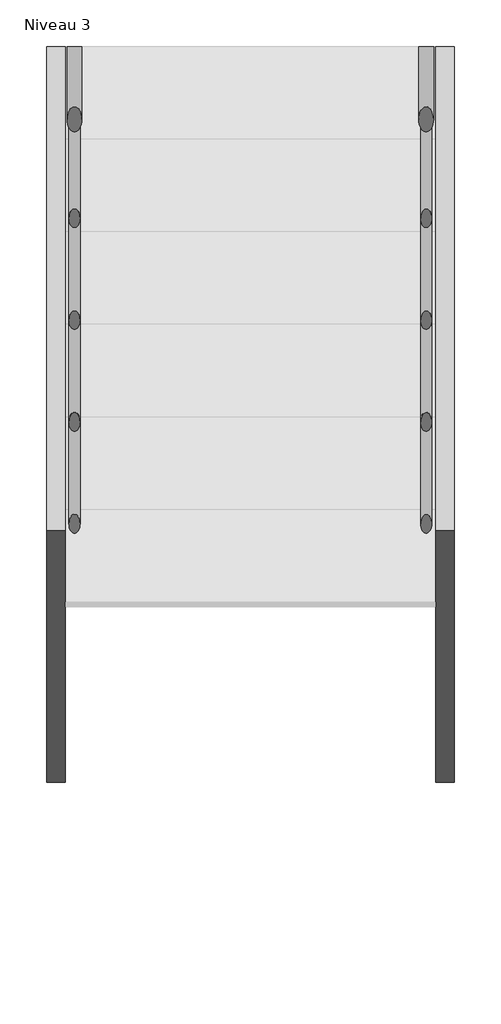
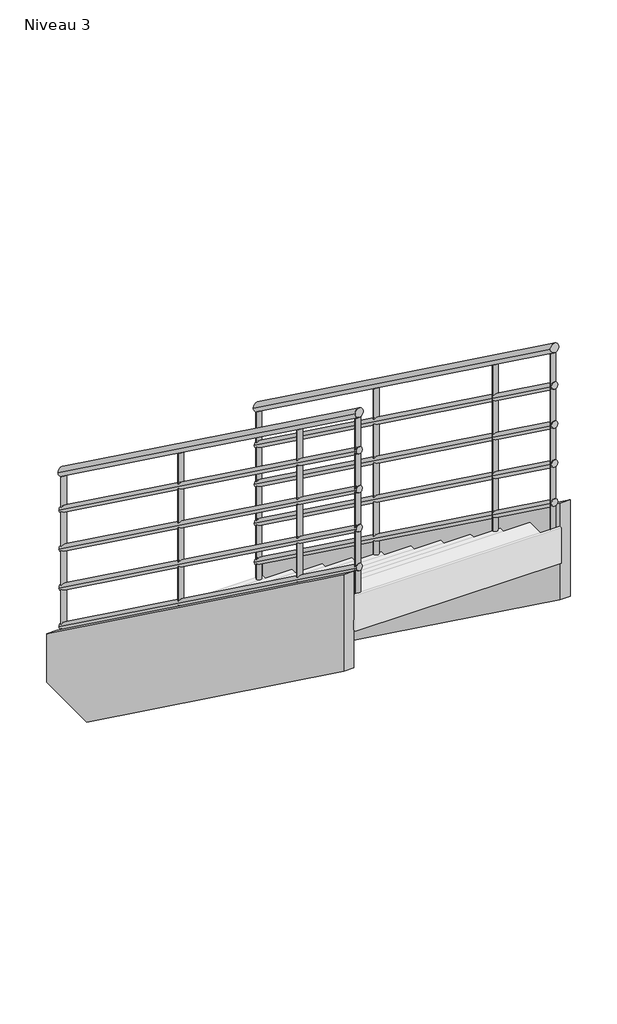
# One storey, part 2 of 2: 2 members, 2 railings.
"""IFC4 building model written with IfcOpenShell, lengths in millimetres."""

from ifc_helpers import new_model, si_unit, frame, origin, place, context, project, spatial, polyline, circle_curve, ellipse_curve, outline, extrude, element, save
from ifc_brep_helpers import plane_surface, cylinder_surface, advanced_brep

model = new_model("IFC4")

# Units and contexts
model_context = context("Model", 3, world=origin())
ifc_project = project(units=[si_unit("LENGTHUNIT", "METRE", prefix="MILLI")], contexts=[model_context])

# Site, building, storey
site = spatial("IfcSite", under=ifc_project)
building = spatial("IfcBuilding", under=site)
storey = spatial("IfcBuildingStorey", under=building, Name="Niveau 3", Elevation=6000.0)

# Members
placement = place(None, origin())
element("IfcMember", 1, at=placement, inside=storey, context=model_context, shape_type="SweptSolid", body=[
    extrude(outline(polyline([(1520.6436791, 6250.0334207), (1520.6436791, 6000.0), (1184.3661071, 6000.0), (-979.3563209, 7573.6163112), (-979.3563209, 8068.2152388), (1520.6436791, 6250.0334207)])), frame((29653.4838539, 0.0, 0.0), z_axis=(1.0, 0.0, 0.0), x_axis=(0.0, 1.0, 0.0)), (0.0, 0.0, 1.0), 50.0),
])
element("IfcMember", 2, at=placement, inside=storey, context=model_context, shape_type="SweptSolid", body=[
    extrude(outline(polyline([(1520.6436791, 6250.0334207), (1520.6436791, 6000.0), (1184.3661071, 6000.0), (-979.3563209, 7573.6163112), (-979.3563209, 8068.2152388), (1520.6436791, 6250.0334207)])), frame((28603.4838539, 0.0, 0.0), z_axis=(1.0, 0.0, 0.0), x_axis=(0.0, 1.0, 0.0)), (0.0, 0.0, 1.0), 50.0),
])

# Railings
element("IfcRailing", 3, at=placement, inside=storey, context=model_context, shape_type="AdvancedBrep", body=[
    advanced_brep(
    [(28658.8838539, 1520.6436791, 7057.0882354), (28698.8838539, 1520.6436791, 7057.0882354), (28658.8838539, -979.3563209, 8875.2700536), (28698.8838539, -979.3563209, 8875.2700536)],
    [
        (0, 1, ellipse_curve(frame((28678.8838539, 1520.6436791, 7057.0882354), z_axis=(0.0, 1.0, 0.0), x_axis=(0.0, 0.0, -0.9999999999999999)), 24.7299464, 20.0)),
        (1, 0, ellipse_curve(frame((28678.8838539, 1520.6436791, 7057.0882354), z_axis=(0.0, 1.0, 0.0), x_axis=(0.0, 0.0, -0.9999999999999999)), 24.7299464, 20.0)),
        (2, 3, ellipse_curve(frame((28678.8838539, -979.3563209, 8875.2700536), z_axis=(0.0, -1.0, 0.0), x_axis=(0.0, 0.0, -0.9999999999999999)), 24.7299464, 20.0)),
        (3, 2, ellipse_curve(frame((28678.8838539, -979.3563209, 8875.2700536), z_axis=(0.0, -1.0, 0.0), x_axis=(0.0, 0.0, -0.9999999999999999)), 24.7299464, 20.0)),
        (0, 2),
        (3, 1),
    ],
    [
        plane_surface(frame((28678.8838539, 1520.6436791, 7081.8181818), z_axis=(0.0, 1.0, 0.0), x_axis=(0.0, 0.0, -1.0))),
        plane_surface(frame((28678.8838539, -979.3563209, 8900.0), z_axis=(0.0, -1.0, 0.0), x_axis=(0.0, 0.0, -1.0))),
        cylinder_surface(frame((28678.8838539, 1508.8802452, 7065.6434601), z_axis=(0.0, 0.8087360843031877, -0.5881716976750473), x_axis=(1.0, 0.0, 0.0)), 20.0),
    ],
    [
        (0, [[1, 2]]),
        (1, [[3, 4]]),
        (2, [[-1, 5, -4, 6]]),
        (2, [[-2, -6, -3, -5]]),
    ],
),
    advanced_brep(
    [(28693.8838539, 1520.6436791, 6863.270722), (28663.8838539, 1520.6436791, 6863.270722), (28693.8838539, -979.3563209, 8681.4525402), (28663.8838539, -979.3563209, 8681.4525402)],
    [
        (0, 1, ellipse_curve(frame((28678.8838539, 1520.6436791, 6863.270722), z_axis=(0.0, 1.0, 0.0), x_axis=(0.0, 0.0, -0.9999999999999999)), 18.5474598, 15.0)),
        (1, 0, ellipse_curve(frame((28678.8838539, 1520.6436791, 6863.270722), z_axis=(0.0, 1.0, 0.0), x_axis=(0.0, 0.0, -0.9999999999999999)), 18.5474598, 15.0)),
        (2, 3, ellipse_curve(frame((28678.8838539, -979.3563209, 8681.4525402), z_axis=(0.0, -1.0, 0.0), x_axis=(0.0, 0.0, -0.9999999999999999)), 18.5474598, 15.0)),
        (3, 2, ellipse_curve(frame((28678.8838539, -979.3563209, 8681.4525402), z_axis=(0.0, -1.0, 0.0), x_axis=(0.0, 0.0, -0.9999999999999999)), 18.5474598, 15.0)),
        (0, 2),
        (3, 1),
    ],
    [
        plane_surface(frame((28678.8838539, 1520.6436791, 6881.8181818), z_axis=(0.0, 1.0, 0.0), x_axis=(0.0, 0.0, -1.0))),
        plane_surface(frame((28678.8838539, -979.3563209, 8700.0), z_axis=(0.0, -1.0, 0.0), x_axis=(0.0, 0.0, -1.0))),
        cylinder_surface(frame((28678.8838539, 1511.8211037, 6869.6871406), z_axis=(0.0, 0.8087360843031877, -0.5881716976750473), x_axis=(-1.0, 0.0, 0.0)), 15.0),
    ],
    [
        (0, [[1, 2]]),
        (1, [[3, 4]]),
        (2, [[-1, 5, -4, 6]]),
        (2, [[-2, -6, -3, -5]]),
    ],
),
    advanced_brep(
    [(28693.8838539, 1520.6436791, 6663.270722), (28663.8838539, 1520.6436791, 6663.270722), (28693.8838539, -979.3563209, 8481.4525402), (28663.8838539, -979.3563209, 8481.4525402)],
    [
        (0, 1, ellipse_curve(frame((28678.8838539, 1520.6436791, 6663.270722), z_axis=(0.0, 1.0, 0.0), x_axis=(0.0, 0.0, -0.9999999999999999)), 18.5474598, 15.0)),
        (1, 0, ellipse_curve(frame((28678.8838539, 1520.6436791, 6663.270722), z_axis=(0.0, 1.0, 0.0), x_axis=(0.0, 0.0, -0.9999999999999999)), 18.5474598, 15.0)),
        (2, 3, ellipse_curve(frame((28678.8838539, -979.3563209, 8481.4525402), z_axis=(0.0, -1.0, 0.0), x_axis=(0.0, 0.0, -0.9999999999999999)), 18.5474598, 15.0)),
        (3, 2, ellipse_curve(frame((28678.8838539, -979.3563209, 8481.4525402), z_axis=(0.0, -1.0, 0.0), x_axis=(0.0, 0.0, -0.9999999999999999)), 18.5474598, 15.0)),
        (0, 2),
        (3, 1),
    ],
    [
        plane_surface(frame((28678.8838539, 1520.6436791, 6681.8181818), z_axis=(0.0, 1.0, 0.0), x_axis=(0.0, 0.0, -1.0))),
        plane_surface(frame((28678.8838539, -979.3563209, 8500.0), z_axis=(0.0, -1.0, 0.0), x_axis=(0.0, 0.0, -1.0))),
        cylinder_surface(frame((28678.8838539, 1511.8211037, 6669.6871406), z_axis=(0.0, 0.8087360843031877, -0.5881716976750473), x_axis=(-1.0, 0.0, 0.0)), 15.0),
    ],
    [
        (0, [[1, 2]]),
        (1, [[3, 4]]),
        (2, [[-1, 5, -4, 6]]),
        (2, [[-2, -6, -3, -5]]),
    ],
),
    advanced_brep(
    [(28693.8838539, 1520.6436791, 6463.270722), (28663.8838539, 1520.6436791, 6463.270722), (28693.8838539, -979.3563209, 8281.4525402), (28663.8838539, -979.3563209, 8281.4525402)],
    [
        (0, 1, ellipse_curve(frame((28678.8838539, 1520.6436791, 6463.270722), z_axis=(0.0, 1.0, 0.0), x_axis=(0.0, 0.0, -0.9999999999999999)), 18.5474598, 15.0)),
        (1, 0, ellipse_curve(frame((28678.8838539, 1520.6436791, 6463.270722), z_axis=(0.0, 1.0, 0.0), x_axis=(0.0, 0.0, -0.9999999999999999)), 18.5474598, 15.0)),
        (2, 3, ellipse_curve(frame((28678.8838539, -979.3563209, 8281.4525402), z_axis=(0.0, -1.0, 0.0), x_axis=(0.0, 0.0, -0.9999999999999999)), 18.5474598, 15.0)),
        (3, 2, ellipse_curve(frame((28678.8838539, -979.3563209, 8281.4525402), z_axis=(0.0, -1.0, 0.0), x_axis=(0.0, 0.0, -0.9999999999999999)), 18.5474598, 15.0)),
        (0, 2),
        (3, 1),
    ],
    [
        plane_surface(frame((28678.8838539, 1520.6436791, 6481.8181818), z_axis=(0.0, 1.0, 0.0), x_axis=(0.0, 0.0, -1.0))),
        plane_surface(frame((28678.8838539, -979.3563209, 8300.0), z_axis=(0.0, -1.0, 0.0), x_axis=(0.0, 0.0, -1.0))),
        cylinder_surface(frame((28678.8838539, 1511.8211037, 6469.6871406), z_axis=(0.0, 0.8087360843031877, -0.5881716976750473), x_axis=(-1.0, 0.0, 0.0)), 15.0),
    ],
    [
        (0, [[1, 2]]),
        (1, [[3, 4]]),
        (2, [[-1, 5, -4, 6]]),
        (2, [[-2, -6, -3, -5]]),
    ],
),
    advanced_brep(
    [(28693.8838539, 1520.6436791, 6263.270722), (28663.8838539, 1520.6436791, 6263.270722), (28693.8838539, -979.3563209, 8081.4525402), (28663.8838539, -979.3563209, 8081.4525402)],
    [
        (0, 1, ellipse_curve(frame((28678.8838539, 1520.6436791, 6263.270722), z_axis=(0.0, 1.0, 0.0), x_axis=(0.0, 0.0, -0.9999999999999999)), 18.5474598, 15.0)),
        (1, 0, ellipse_curve(frame((28678.8838539, 1520.6436791, 6263.270722), z_axis=(0.0, 1.0, 0.0), x_axis=(0.0, 0.0, -0.9999999999999999)), 18.5474598, 15.0)),
        (2, 3, ellipse_curve(frame((28678.8838539, -979.3563209, 8081.4525402), z_axis=(0.0, -1.0, 0.0), x_axis=(0.0, 0.0, -0.9999999999999999)), 18.5474598, 15.0)),
        (3, 2, ellipse_curve(frame((28678.8838539, -979.3563209, 8081.4525402), z_axis=(0.0, -1.0, 0.0), x_axis=(0.0, 0.0, -0.9999999999999999)), 18.5474598, 15.0)),
        (0, 2),
        (3, 1),
    ],
    [
        plane_surface(frame((28678.8838539, 1520.6436791, 6281.8181818), z_axis=(0.0, 1.0, 0.0), x_axis=(0.0, 0.0, -1.0))),
        plane_surface(frame((28678.8838539, -979.3563209, 8100.0), z_axis=(0.0, -1.0, 0.0), x_axis=(0.0, 0.0, -1.0))),
        cylinder_surface(frame((28678.8838539, 1511.8211037, 6269.6871406), z_axis=(0.0, 0.8087360843031877, -0.5881716976750473), x_axis=(-1.0, 0.0, 0.0)), 15.0),
    ],
    [
        (0, [[1, 2]]),
        (1, [[3, 4]]),
        (2, [[-1, 5, -4, 6]]),
        (2, [[-2, -6, -3, -5]]),
    ],
),
    advanced_brep(
    [(28666.3838539, -479.3563209, 8486.9037436), (28666.3838539, -479.3563209, 7636.3636364), (28691.3838539, -479.3563209, 7636.3636364), (28691.3838539, -479.3563209, 8486.9037436)],
    [
        (0, 1),
        (1, 2, circle_curve(frame((28678.8838539, -479.3563209, 7636.3636364), z_axis=(0.0, 0.0, 1.0), x_axis=(1.0, 0.0, 0.0)), 12.5)),
        (2, 3),
        (3, 0, ellipse_curve(frame((28678.8838539, -479.3563209, 8486.9037436), z_axis=(0.0, -0.5881716976750468, -0.8087360843031881), x_axis=(0.0, -0.8087360843031881, 0.5881716976750467)), 15.4562165, 12.5)),
        (0, 3, ellipse_curve(frame((28678.8838539, -479.3563209, 8486.9037436), z_axis=(0.0, -0.5881716976750468, -0.8087360843031881), x_axis=(0.0, -0.8087360843031881, 0.5881716976750467)), 15.4562165, 12.5)),
        (2, 1, circle_curve(frame((28678.8838539, -479.3563209, 7636.3636364), z_axis=(0.0, 0.0, 1.0), x_axis=(1.0, 0.0, 0.0)), 12.5)),
    ],
    [
        cylinder_surface(frame((28678.8838539, -479.3563209, 7536.3636364), z_axis=(0.0, 0.0, 1.0), x_axis=(1.0, 0.0, 0.0)), 12.5),
        plane_surface(frame((28703.8838539, -504.3563209, 8505.0855618), z_axis=(0.0, 0.5881716976750468, 0.8087360843031881), x_axis=(-1.0, 0.0, 0.0))),
        plane_surface(frame((28703.8838539, -454.3563209, 7636.3636364), z_axis=(0.0, 0.0, -1.0), x_axis=(-1.0, 0.0, 0.0))),
    ],
    [
        (0, [[1, 2, 3, 4]]),
        (0, [[-1, 5, -3, 6]]),
        (1, [[-4, -5]]),
        (2, [[-2, -6]]),
    ],
),
    advanced_brep(
    [(28666.3838539, 520.6436791, 7759.6310163), (28666.3838539, 520.6436791, 6909.0909091), (28691.3838539, 520.6436791, 6909.0909091), (28691.3838539, 520.6436791, 7759.6310163)],
    [
        (0, 1),
        (1, 2, circle_curve(frame((28678.8838539, 520.6436791, 6909.0909091), z_axis=(0.0, 0.0, 1.0), x_axis=(1.0, 0.0, 0.0)), 12.5)),
        (2, 3),
        (3, 0, ellipse_curve(frame((28678.8838539, 520.6436791, 7759.6310163), z_axis=(0.0, -0.5881716976750468, -0.8087360843031881), x_axis=(0.0, -0.8087360843031881, 0.5881716976750467)), 15.4562165, 12.5)),
        (0, 3, ellipse_curve(frame((28678.8838539, 520.6436791, 7759.6310163), z_axis=(0.0, -0.5881716976750468, -0.8087360843031881), x_axis=(0.0, -0.8087360843031881, 0.5881716976750467)), 15.4562165, 12.5)),
        (2, 1, circle_curve(frame((28678.8838539, 520.6436791, 6909.0909091), z_axis=(0.0, 0.0, 1.0), x_axis=(1.0, 0.0, 0.0)), 12.5)),
    ],
    [
        cylinder_surface(frame((28678.8838539, 520.6436791, 6809.0909091), z_axis=(0.0, 0.0, 1.0), x_axis=(1.0, 0.0, 0.0)), 12.5),
        plane_surface(frame((28703.8838539, 495.6436791, 7777.8128345), z_axis=(0.0, 0.5881716976750468, 0.8087360843031881), x_axis=(-1.0, 0.0, 0.0))),
        plane_surface(frame((28703.8838539, 545.6436791, 6909.0909091), z_axis=(0.0, 0.0, -1.0), x_axis=(-1.0, 0.0, 0.0))),
    ],
    [
        (0, [[1, 2, 3, 4]]),
        (0, [[-1, 5, -3, 6]]),
        (1, [[-4, -5]]),
        (2, [[-2, -6]]),
    ],
),
    advanced_brep(
    [(28666.3838539, -966.8563209, 8841.4491982), (28666.3838539, -966.8563209, 7818.1818182), (28691.3838539, -966.8563209, 7818.1818182), (28691.3838539, -966.8563209, 8841.4491982)],
    [
        (0, 1),
        (1, 2, circle_curve(frame((28678.8838539, -966.8563209, 7818.1818182), z_axis=(0.0, 0.0, 1.0), x_axis=(1.0, 0.0, 0.0)), 12.5)),
        (2, 3),
        (3, 0, ellipse_curve(frame((28678.8838539, -966.8563209, 8841.4491982), z_axis=(0.0, -0.5881716976750468, -0.8087360843031881), x_axis=(0.0, -0.8087360843031881, 0.5881716976750467)), 15.4562165, 12.5)),
        (0, 3, ellipse_curve(frame((28678.8838539, -966.8563209, 8841.4491982), z_axis=(0.0, -0.5881716976750468, -0.8087360843031881), x_axis=(0.0, -0.8087360843031881, 0.5881716976750467)), 15.4562165, 12.5)),
        (2, 1, circle_curve(frame((28678.8838539, -966.8563209, 7818.1818182), z_axis=(0.0, 0.0, 1.0), x_axis=(1.0, 0.0, 0.0)), 12.5)),
    ],
    [
        cylinder_surface(frame((28678.8838539, -966.8563209, 7718.1818182), z_axis=(0.0, 0.0, 1.0), x_axis=(1.0, 0.0, 0.0)), 12.5),
        plane_surface(frame((28703.8838539, -991.8563209, 8859.6310163), z_axis=(0.0, 0.5881716976750468, 0.8087360843031881), x_axis=(-1.0, 0.0, 0.0))),
        plane_surface(frame((28703.8838539, -941.8563209, 7818.1818182), z_axis=(0.0, 0.0, -1.0), x_axis=(-1.0, 0.0, 0.0))),
    ],
    [
        (0, [[1, 2, 3, 4]]),
        (0, [[-1, 5, -3, 6]]),
        (1, [[-4, -5]]),
        (2, [[-2, -6]]),
    ],
),
    advanced_brep(
    [(28666.3838539, 1508.1436791, 7041.4491982), (28666.3838539, 1508.1436791, 6181.8181818), (28691.3838539, 1508.1436791, 6181.8181818), (28691.3838539, 1508.1436791, 7041.4491982)],
    [
        (0, 1),
        (1, 2, circle_curve(frame((28678.8838539, 1508.1436791, 6181.8181818), z_axis=(0.0, 0.0, 1.0), x_axis=(1.0, 0.0, 0.0)), 12.5)),
        (2, 3),
        (3, 0, ellipse_curve(frame((28678.8838539, 1508.1436791, 7041.4491982), z_axis=(0.0, -0.5881716976750468, -0.8087360843031881), x_axis=(0.0, -0.8087360843031881, 0.5881716976750467)), 15.4562165, 12.5)),
        (0, 3, ellipse_curve(frame((28678.8838539, 1508.1436791, 7041.4491982), z_axis=(0.0, -0.5881716976750468, -0.8087360843031881), x_axis=(0.0, -0.8087360843031881, 0.5881716976750467)), 15.4562165, 12.5)),
        (2, 1, circle_curve(frame((28678.8838539, 1508.1436791, 6181.8181818), z_axis=(0.0, 0.0, 1.0), x_axis=(1.0, 0.0, 0.0)), 12.5)),
    ],
    [
        cylinder_surface(frame((28678.8838539, 1508.1436791, 6081.8181818), z_axis=(0.0, 0.0, 1.0), x_axis=(1.0, 0.0, 0.0)), 12.5),
        plane_surface(frame((28703.8838539, 1483.1436791, 7059.6310163), z_axis=(0.0, 0.5881716976750468, 0.8087360843031881), x_axis=(-1.0, 0.0, 0.0))),
        plane_surface(frame((28703.8838539, 1533.1436791, 6181.8181818), z_axis=(0.0, 0.0, -1.0), x_axis=(-1.0, 0.0, 0.0))),
    ],
    [
        (0, [[1, 2, 3, 4]]),
        (0, [[-1, 5, -3, 6]]),
        (1, [[-4, -5]]),
        (2, [[-2, -6]]),
    ],
),
])
element("IfcRailing", 4, at=placement, inside=storey, context=model_context, shape_type="AdvancedBrep", body=[
    advanced_brep(
    [(29608.0838539, 1520.6436791, 7057.0882354), (29648.0838539, 1520.6436791, 7057.0882354), (29608.0838539, -979.3563209, 8875.2700536), (29648.0838539, -979.3563209, 8875.2700536)],
    [
        (0, 1, ellipse_curve(frame((29628.0838539, 1520.6436791, 7057.0882354), z_axis=(0.0, 1.0, 0.0), x_axis=(0.0, 0.0, -1.0)), 24.7299464, 20.0)),
        (1, 0, ellipse_curve(frame((29628.0838539, 1520.6436791, 7057.0882354), z_axis=(0.0, 1.0, 0.0), x_axis=(0.0, 0.0, -1.0)), 24.7299464, 20.0)),
        (2, 3, ellipse_curve(frame((29628.0838539, -979.3563209, 8875.2700536), z_axis=(0.0, -1.0, 0.0), x_axis=(0.0, 0.0, -1.0)), 24.7299464, 20.0)),
        (3, 2, ellipse_curve(frame((29628.0838539, -979.3563209, 8875.2700536), z_axis=(0.0, -1.0, 0.0), x_axis=(0.0, 0.0, -1.0)), 24.7299464, 20.0)),
        (0, 2),
        (3, 1),
    ],
    [
        plane_surface(frame((29628.0838539, 1520.6436791, 7081.8181818), z_axis=(0.0, 1.0, 0.0), x_axis=(0.0, 0.0, -1.0))),
        plane_surface(frame((29628.0838539, -979.3563209, 8900.0), z_axis=(0.0, -1.0, 0.0), x_axis=(0.0, 0.0, -1.0))),
        cylinder_surface(frame((29628.0838539, 1508.8802452, 7065.6434601), z_axis=(0.0, 0.8087360843031879, -0.5881716976750472), x_axis=(1.0, 0.0, 0.0)), 20.0),
    ],
    [
        (0, [[1, 2]]),
        (1, [[3, 4]]),
        (2, [[-1, 5, -4, 6]]),
        (2, [[-2, -6, -3, -5]]),
    ],
),
    advanced_brep(
    [(29613.0838539, 1520.6436791, 6863.270722), (29643.0838539, 1520.6436791, 6863.270722), (29613.0838539, -979.3563209, 8681.4525402), (29643.0838539, -979.3563209, 8681.4525402)],
    [
        (0, 1, ellipse_curve(frame((29628.0838539, 1520.6436791, 6863.270722), z_axis=(0.0, 1.0, 0.0), x_axis=(0.0, 0.0, -1.0)), 18.5474598, 15.0)),
        (1, 0, ellipse_curve(frame((29628.0838539, 1520.6436791, 6863.270722), z_axis=(0.0, 1.0, 0.0), x_axis=(0.0, 0.0, -1.0)), 18.5474598, 15.0)),
        (2, 3, ellipse_curve(frame((29628.0838539, -979.3563209, 8681.4525402), z_axis=(0.0, -1.0, 0.0), x_axis=(0.0, 0.0, -1.0)), 18.5474598, 15.0)),
        (3, 2, ellipse_curve(frame((29628.0838539, -979.3563209, 8681.4525402), z_axis=(0.0, -1.0, 0.0), x_axis=(0.0, 0.0, -1.0)), 18.5474598, 15.0)),
        (0, 2),
        (3, 1),
    ],
    [
        plane_surface(frame((29628.0838539, 1520.6436791, 6881.8181818), z_axis=(0.0, 1.0, 0.0), x_axis=(0.0, 0.0, -1.0))),
        plane_surface(frame((29628.0838539, -979.3563209, 8700.0), z_axis=(0.0, -1.0, 0.0), x_axis=(0.0, 0.0, -1.0))),
        cylinder_surface(frame((29628.0838539, 1511.8211037, 6869.6871406), z_axis=(0.0, 0.8087360843031879, -0.5881716976750472), x_axis=(1.0, 0.0, 0.0)), 15.0),
    ],
    [
        (0, [[1, 2]]),
        (1, [[3, 4]]),
        (2, [[-1, 5, -4, 6]]),
        (2, [[-2, -6, -3, -5]]),
    ],
),
    advanced_brep(
    [(29613.0838539, 1520.6436791, 6663.270722), (29643.0838539, 1520.6436791, 6663.270722), (29613.0838539, -979.3563209, 8481.4525402), (29643.0838539, -979.3563209, 8481.4525402)],
    [
        (0, 1, ellipse_curve(frame((29628.0838539, 1520.6436791, 6663.270722), z_axis=(0.0, 1.0, 0.0), x_axis=(0.0, 0.0, -1.0)), 18.5474598, 15.0)),
        (1, 0, ellipse_curve(frame((29628.0838539, 1520.6436791, 6663.270722), z_axis=(0.0, 1.0, 0.0), x_axis=(0.0, 0.0, -1.0)), 18.5474598, 15.0)),
        (2, 3, ellipse_curve(frame((29628.0838539, -979.3563209, 8481.4525402), z_axis=(0.0, -1.0, 0.0), x_axis=(0.0, 0.0, -1.0)), 18.5474598, 15.0)),
        (3, 2, ellipse_curve(frame((29628.0838539, -979.3563209, 8481.4525402), z_axis=(0.0, -1.0, 0.0), x_axis=(0.0, 0.0, -1.0)), 18.5474598, 15.0)),
        (0, 2),
        (3, 1),
    ],
    [
        plane_surface(frame((29628.0838539, 1520.6436791, 6681.8181818), z_axis=(0.0, 1.0, 0.0), x_axis=(0.0, 0.0, -1.0))),
        plane_surface(frame((29628.0838539, -979.3563209, 8500.0), z_axis=(0.0, -1.0, 0.0), x_axis=(0.0, 0.0, -1.0))),
        cylinder_surface(frame((29628.0838539, 1511.8211037, 6669.6871406), z_axis=(0.0, 0.8087360843031879, -0.5881716976750472), x_axis=(1.0, 0.0, 0.0)), 15.0),
    ],
    [
        (0, [[1, 2]]),
        (1, [[3, 4]]),
        (2, [[-1, 5, -4, 6]]),
        (2, [[-2, -6, -3, -5]]),
    ],
),
    advanced_brep(
    [(29613.0838539, 1520.6436791, 6463.270722), (29643.0838539, 1520.6436791, 6463.270722), (29613.0838539, -979.3563209, 8281.4525402), (29643.0838539, -979.3563209, 8281.4525402)],
    [
        (0, 1, ellipse_curve(frame((29628.0838539, 1520.6436791, 6463.270722), z_axis=(0.0, 1.0, 0.0), x_axis=(0.0, 0.0, -1.0)), 18.5474598, 15.0)),
        (1, 0, ellipse_curve(frame((29628.0838539, 1520.6436791, 6463.270722), z_axis=(0.0, 1.0, 0.0), x_axis=(0.0, 0.0, -1.0)), 18.5474598, 15.0)),
        (2, 3, ellipse_curve(frame((29628.0838539, -979.3563209, 8281.4525402), z_axis=(0.0, -1.0, 0.0), x_axis=(0.0, 0.0, -1.0)), 18.5474598, 15.0)),
        (3, 2, ellipse_curve(frame((29628.0838539, -979.3563209, 8281.4525402), z_axis=(0.0, -1.0, 0.0), x_axis=(0.0, 0.0, -1.0)), 18.5474598, 15.0)),
        (0, 2),
        (3, 1),
    ],
    [
        plane_surface(frame((29628.0838539, 1520.6436791, 6481.8181818), z_axis=(0.0, 1.0, 0.0), x_axis=(0.0, 0.0, -1.0))),
        plane_surface(frame((29628.0838539, -979.3563209, 8300.0), z_axis=(0.0, -1.0, 0.0), x_axis=(0.0, 0.0, -1.0))),
        cylinder_surface(frame((29628.0838539, 1511.8211037, 6469.6871406), z_axis=(0.0, 0.8087360843031879, -0.5881716976750472), x_axis=(1.0, 0.0, 0.0)), 15.0),
    ],
    [
        (0, [[1, 2]]),
        (1, [[3, 4]]),
        (2, [[-1, 5, -4, 6]]),
        (2, [[-2, -6, -3, -5]]),
    ],
),
    advanced_brep(
    [(29613.0838539, 1520.6436791, 6263.270722), (29643.0838539, 1520.6436791, 6263.270722), (29613.0838539, -979.3563209, 8081.4525402), (29643.0838539, -979.3563209, 8081.4525402)],
    [
        (0, 1, ellipse_curve(frame((29628.0838539, 1520.6436791, 6263.270722), z_axis=(0.0, 1.0, 0.0), x_axis=(0.0, 0.0, -1.0)), 18.5474598, 15.0)),
        (1, 0, ellipse_curve(frame((29628.0838539, 1520.6436791, 6263.270722), z_axis=(0.0, 1.0, 0.0), x_axis=(0.0, 0.0, -1.0)), 18.5474598, 15.0)),
        (2, 3, ellipse_curve(frame((29628.0838539, -979.3563209, 8081.4525402), z_axis=(0.0, -1.0, 0.0), x_axis=(0.0, 0.0, -1.0)), 18.5474598, 15.0)),
        (3, 2, ellipse_curve(frame((29628.0838539, -979.3563209, 8081.4525402), z_axis=(0.0, -1.0, 0.0), x_axis=(0.0, 0.0, -1.0)), 18.5474598, 15.0)),
        (0, 2),
        (3, 1),
    ],
    [
        plane_surface(frame((29628.0838539, 1520.6436791, 6281.8181818), z_axis=(0.0, 1.0, 0.0), x_axis=(0.0, 0.0, -1.0))),
        plane_surface(frame((29628.0838539, -979.3563209, 8100.0), z_axis=(0.0, -1.0, 0.0), x_axis=(0.0, 0.0, -1.0))),
        cylinder_surface(frame((29628.0838539, 1511.8211037, 6269.6871406), z_axis=(0.0, 0.8087360843031879, -0.5881716976750472), x_axis=(1.0, 0.0, 0.0)), 15.0),
    ],
    [
        (0, [[1, 2]]),
        (1, [[3, 4]]),
        (2, [[-1, 5, -4, 6]]),
        (2, [[-2, -6, -3, -5]]),
    ],
),
    advanced_brep(
    [(29640.5838539, -479.3563209, 8486.9037436), (29615.5838539, -479.3563209, 8486.9037436), (29615.5838539, -479.3563209, 7636.3636364), (29640.5838539, -479.3563209, 7636.3636364)],
    [
        (0, 1, ellipse_curve(frame((29628.0838539, -479.3563209, 8486.9037436), z_axis=(0.0, -0.5881716976750468, -0.8087360843031881), x_axis=(0.0, -0.8087360843031881, 0.5881716976750467)), 15.4562165, 12.5)),
        (1, 2),
        (2, 3, circle_curve(frame((29628.0838539, -479.3563209, 7636.3636364), z_axis=(0.0, 0.0, 1.0), x_axis=(-1.0, 0.0, 0.0)), 12.5)),
        (3, 0),
        (3, 2, circle_curve(frame((29628.0838539, -479.3563209, 7636.3636364), z_axis=(0.0, 0.0, 1.0), x_axis=(-1.0, 0.0, 0.0)), 12.5)),
        (1, 0, ellipse_curve(frame((29628.0838539, -479.3563209, 8486.9037436), z_axis=(0.0, -0.5881716976750468, -0.8087360843031881), x_axis=(0.0, -0.8087360843031881, 0.5881716976750467)), 15.4562165, 12.5)),
    ],
    [
        cylinder_surface(frame((29628.0838539, -479.3563209, 7536.3636364), z_axis=(0.0, 0.0, 1.0), x_axis=(-1.0, 0.0, 0.0)), 12.5),
        plane_surface(frame((29603.0838539, -504.3563209, 8505.0855618), z_axis=(0.0, 0.5881716976750468, 0.8087360843031881), x_axis=(1.0, 0.0, 0.0))),
        plane_surface(frame((29603.0838539, -454.3563209, 7636.3636364), z_axis=(0.0, 0.0, -1.0), x_axis=(1.0, 0.0, 0.0))),
    ],
    [
        (0, [[1, 2, 3, 4]]),
        (0, [[5, -2, 6, -4]]),
        (1, [[-6, -1]]),
        (2, [[-5, -3]]),
    ],
),
    advanced_brep(
    [(29640.5838539, 520.6436791, 7759.6310163), (29615.5838539, 520.6436791, 7759.6310163), (29615.5838539, 520.6436791, 6909.0909091), (29640.5838539, 520.6436791, 6909.0909091)],
    [
        (0, 1, ellipse_curve(frame((29628.0838539, 520.6436791, 7759.6310163), z_axis=(0.0, -0.5881716976750468, -0.8087360843031881), x_axis=(0.0, -0.8087360843031881, 0.5881716976750467)), 15.4562165, 12.5)),
        (1, 2),
        (2, 3, circle_curve(frame((29628.0838539, 520.6436791, 6909.0909091), z_axis=(0.0, 0.0, 1.0), x_axis=(-1.0, 0.0, 0.0)), 12.5)),
        (3, 0),
        (3, 2, circle_curve(frame((29628.0838539, 520.6436791, 6909.0909091), z_axis=(0.0, 0.0, 1.0), x_axis=(-1.0, 0.0, 0.0)), 12.5)),
        (1, 0, ellipse_curve(frame((29628.0838539, 520.6436791, 7759.6310163), z_axis=(0.0, -0.5881716976750468, -0.8087360843031881), x_axis=(0.0, -0.8087360843031881, 0.5881716976750467)), 15.4562165, 12.5)),
    ],
    [
        cylinder_surface(frame((29628.0838539, 520.6436791, 6809.0909091), z_axis=(0.0, 0.0, 1.0), x_axis=(-1.0, 0.0, 0.0)), 12.5),
        plane_surface(frame((29603.0838539, 495.6436791, 7777.8128345), z_axis=(0.0, 0.5881716976750468, 0.8087360843031881), x_axis=(1.0, 0.0, 0.0))),
        plane_surface(frame((29603.0838539, 545.6436791, 6909.0909091), z_axis=(0.0, 0.0, -1.0), x_axis=(1.0, 0.0, 0.0))),
    ],
    [
        (0, [[1, 2, 3, 4]]),
        (0, [[5, -2, 6, -4]]),
        (1, [[-6, -1]]),
        (2, [[-5, -3]]),
    ],
),
    advanced_brep(
    [(29640.5838539, -966.8563209, 8841.4491982), (29615.5838539, -966.8563209, 8841.4491982), (29615.5838539, -966.8563209, 7818.1818182), (29640.5838539, -966.8563209, 7818.1818182)],
    [
        (0, 1, ellipse_curve(frame((29628.0838539, -966.8563209, 8841.4491982), z_axis=(0.0, -0.5881716976750468, -0.8087360843031881), x_axis=(0.0, -0.8087360843031881, 0.5881716976750467)), 15.4562165, 12.5)),
        (1, 2),
        (2, 3, circle_curve(frame((29628.0838539, -966.8563209, 7818.1818182), z_axis=(0.0, 0.0, 1.0), x_axis=(-1.0, 0.0, 0.0)), 12.5)),
        (3, 0),
        (3, 2, circle_curve(frame((29628.0838539, -966.8563209, 7818.1818182), z_axis=(0.0, 0.0, 1.0), x_axis=(-1.0, 0.0, 0.0)), 12.5)),
        (1, 0, ellipse_curve(frame((29628.0838539, -966.8563209, 8841.4491982), z_axis=(0.0, -0.5881716976750468, -0.8087360843031881), x_axis=(0.0, -0.8087360843031881, 0.5881716976750467)), 15.4562165, 12.5)),
    ],
    [
        cylinder_surface(frame((29628.0838539, -966.8563209, 7718.1818182), z_axis=(0.0, 0.0, 1.0), x_axis=(-1.0, 0.0, 0.0)), 12.5),
        plane_surface(frame((29603.0838539, -991.8563209, 8859.6310163), z_axis=(0.0, 0.5881716976750468, 0.8087360843031881), x_axis=(1.0, 0.0, 0.0))),
        plane_surface(frame((29603.0838539, -941.8563209, 7818.1818182), z_axis=(0.0, 0.0, -1.0), x_axis=(1.0, 0.0, 0.0))),
    ],
    [
        (0, [[1, 2, 3, 4]]),
        (0, [[5, -2, 6, -4]]),
        (1, [[-6, -1]]),
        (2, [[-5, -3]]),
    ],
),
    advanced_brep(
    [(29640.5838539, 1508.1436791, 7041.4491982), (29615.5838539, 1508.1436791, 7041.4491982), (29615.5838539, 1508.1436791, 6181.8181818), (29640.5838539, 1508.1436791, 6181.8181818)],
    [
        (0, 1, ellipse_curve(frame((29628.0838539, 1508.1436791, 7041.4491982), z_axis=(0.0, -0.5881716976750468, -0.8087360843031881), x_axis=(0.0, -0.8087360843031881, 0.5881716976750467)), 15.4562165, 12.5)),
        (1, 2),
        (2, 3, circle_curve(frame((29628.0838539, 1508.1436791, 6181.8181818), z_axis=(0.0, 0.0, 1.0), x_axis=(-1.0, 0.0, 0.0)), 12.5)),
        (3, 0),
        (3, 2, circle_curve(frame((29628.0838539, 1508.1436791, 6181.8181818), z_axis=(0.0, 0.0, 1.0), x_axis=(-1.0, 0.0, 0.0)), 12.5)),
        (1, 0, ellipse_curve(frame((29628.0838539, 1508.1436791, 7041.4491982), z_axis=(0.0, -0.5881716976750468, -0.8087360843031881), x_axis=(0.0, -0.8087360843031881, 0.5881716976750467)), 15.4562165, 12.5)),
    ],
    [
        cylinder_surface(frame((29628.0838539, 1508.1436791, 6081.8181818), z_axis=(0.0, 0.0, 1.0), x_axis=(-1.0, 0.0, 0.0)), 12.5),
        plane_surface(frame((29603.0838539, 1483.1436791, 7059.6310163), z_axis=(0.0, 0.5881716976750468, 0.8087360843031881), x_axis=(1.0, 0.0, 0.0))),
        plane_surface(frame((29603.0838539, 1533.1436791, 6181.8181818), z_axis=(0.0, 0.0, -1.0), x_axis=(1.0, 0.0, 0.0))),
    ],
    [
        (0, [[1, 2, 3, 4]]),
        (0, [[5, -2, 6, -4]]),
        (1, [[-6, -1]]),
        (2, [[-5, -3]]),
    ],
),
])

save(model, "model.ifc")
